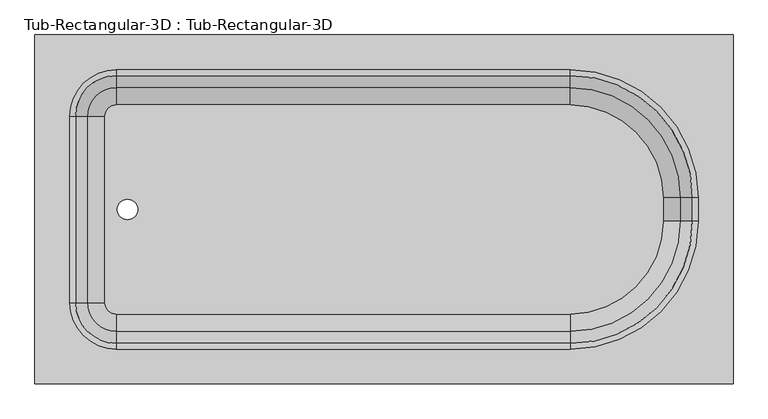
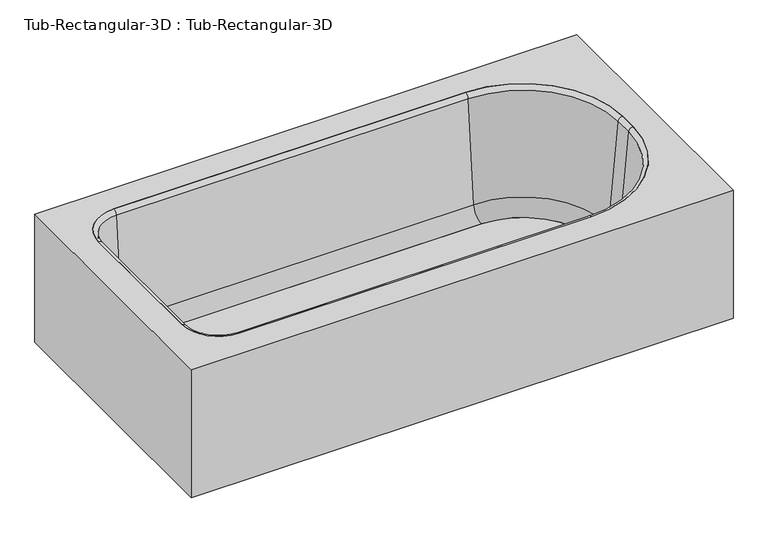
"""IFC4 building model written with IfcOpenShell, lengths in millimetres: flow terminal geometry, Tub-Rectangular-3D : Tub-Rectangular-3D."""

import ifcopenshell
import ifcopenshell.guid

model = None  # the IFC model being written
_history = None  # IfcOwnerHistory: only IFC2X3 demands one
_inside = {}  # id of a spatial element -> (the spatial element, [elements in it])
_under = {}  # id of a project, library or spatial element -> (it, [spatial elements below it])
_declared = {}  # id of a project -> (the project, [libraries it declares])
_typed = {}  # id of a type object -> (the type object, [elements of that type])
_made_of = {}  # id of a material, layer set ... -> (it, [elements and type objects made of it])


def new_model(schema):
    """Start an empty IFC model of exactly this schema.

    Asked for "IFC4X3", IfcOpenShell would pick the latest addendum, in which some entities
    have other attributes; the version numbers below select the first issue.
    IFC2X3 requires an IfcOwnerHistory on every rooted entity: one is made here for all.
    """
    global model, _history
    if schema == "IFC4X3":
        model = ifcopenshell.file(schema_version=(4, 3, 0, 0))
    else:
        model = ifcopenshell.file(schema=schema)
    _inside.clear()
    _under.clear()
    _declared.clear()
    _typed.clear()
    _made_of.clear()
    _history = None
    if model.schema == "IFC2X3":
        org = make("IfcOrganization", Name="unknown")
        user = make(
            "IfcPersonAndOrganization",
            ThePerson=make("IfcPerson", FamilyName="unknown"),
            TheOrganization=org,
        )
        app = make(
            "IfcApplication",
            ApplicationDeveloper=org,
            Version="unknown",
            ApplicationFullName="unknown",
            ApplicationIdentifier="unknown",
        )
        _history = make(
            "IfcOwnerHistory",
            OwningUser=user,
            OwningApplication=app,
            ChangeAction="ADDED",
            CreationDate=0,
        )
    return model


def make(cls, **values):
    """One entity of the class cls with the attributes given. An attribute that is None is left unset."""
    return model.create_entity(
        cls, **{name: value for name, value in values.items() if value is not None}
    )


def rooted(cls, **values):
    """An entity with a GlobalId (a new one), such as an element, a storey or a relation."""
    return make(cls, GlobalId=ifcopenshell.guid.new(), OwnerHistory=_history, **values)


def si_unit(unit_type, name, prefix=None):
    """IfcSIUnit, for example si_unit("LENGTHUNIT", "METRE", prefix="MILLI")."""
    return make("IfcSIUnit", UnitType=unit_type, Prefix=prefix, Name=name)


def assignment(units):
    """IfcUnitAssignment: the units of a project."""
    return None if units is None else make("IfcUnitAssignment", Units=units)


def point(xyz):
    """IfcCartesianPoint."""
    return None if xyz is None else make("IfcCartesianPoint", Coordinates=xyz)


def direction(xyz):
    """IfcDirection."""
    return None if xyz is None else make("IfcDirection", DirectionRatios=xyz)


def frame(location, z_axis=None, x_axis=None):
    """IfcAxis2Placement3D, a coordinate frame: its origin and axes. An axis left out is left unset."""
    return make(
        "IfcAxis2Placement3D",
        Location=point(location),
        Axis=direction(z_axis),
        RefDirection=direction(x_axis),
    )


def frame_2d(location, x_axis=None):
    """IfcAxis2Placement2D, a coordinate frame in the plane: its origin and x axis."""
    return make(
        "IfcAxis2Placement2D", Location=point(location), RefDirection=direction(x_axis)
    )


def origin():
    """The frame at (0, 0, 0) with its axes left unset."""
    return frame((0.0, 0.0, 0.0))


def place(relative_to, where):
    """IfcLocalPlacement: puts the frame where relative to a parent placement (None: the world)."""
    return make(
        "IfcLocalPlacement", PlacementRelTo=relative_to, RelativePlacement=where
    )


def context(
    kind, dimensions, precision=None, world=None, true_north=None, identifier=None
):
    """IfcGeometricRepresentationContext, for example the 3D "Model" context."""
    return make(
        "IfcGeometricRepresentationContext",
        ContextIdentifier=identifier,
        ContextType=kind,
        CoordinateSpaceDimension=dimensions,
        Precision=precision,
        WorldCoordinateSystem=world,
        TrueNorth=true_north,
    )


def project(units=None, contexts=None):
    """IfcProject with its units and contexts."""
    return rooted(
        "IfcProject",
        Name="project",
        RepresentationContexts=contexts,
        UnitsInContext=assignment(units),
    )


def spatial(cls, under=None, at=None, **own):
    """A site, building, storey or space (cls), placed at a placement, below another one or the project."""
    s = rooted(cls, ObjectPlacement=at, **own)
    if under is not None:
        _under.setdefault(under.id(), (under, []))[1].append(s)
    return s


def polyline(points):
    """IfcPolyline through the points."""
    return make("IfcPolyline", Points=[point(p) for p in points])


def circle_curve(where, radius):
    """IfcCircle in the frame where."""
    return make("IfcCircle", Position=where, Radius=radius)


def ellipse_curve(where, semi_axis1, semi_axis2):
    """IfcEllipse in the frame where."""
    return make(
        "IfcEllipse", Position=where, SemiAxis1=semi_axis1, SemiAxis2=semi_axis2
    )


def trimmed(basis, trim1, trim2, sense, master):
    """IfcTrimmedCurve: the piece of a basis curve between two trims."""
    return make(
        "IfcTrimmedCurve",
        BasisCurve=basis,
        Trim1=trim1,
        Trim2=trim2,
        SenseAgreement=sense,
        MasterRepresentation=master,
    )


def segment(curve, same_sense, transition):
    """IfcCompositeCurveSegment."""
    return make(
        "IfcCompositeCurveSegment",
        Transition=transition,
        SameSense=same_sense,
        ParentCurve=curve,
    )


def composite_curve(segments, self_intersect=None):
    """IfcCompositeCurve: segments joined end to end."""
    return make("IfcCompositeCurve", Segments=segments, SelfIntersect=self_intersect)


def outline(outer, holes=None, kind="AREA"):
    """IfcArbitraryClosedProfileDef: a profile drawn as a closed curve; with holes, ...WithVoids."""
    if holes is None:
        return make("IfcArbitraryClosedProfileDef", ProfileType=kind, OuterCurve=outer)
    return make(
        "IfcArbitraryProfileDefWithVoids",
        ProfileType=kind,
        OuterCurve=outer,
        InnerCurves=holes,
    )


def extrude(swept, where, along, depth):
    """IfcExtrudedAreaSolid: the profile swept, set in the frame where, extruded along a direction by depth."""
    return make(
        "IfcExtrudedAreaSolid",
        SweptArea=swept,
        Position=where,
        ExtrudedDirection=direction(along),
        Depth=depth,
    )


def shape(context_of_items, identifier, shape_type, items):
    """IfcShapeRepresentation: the items that make up one representation, for example the "Body"."""
    return make(
        "IfcShapeRepresentation",
        ContextOfItems=context_of_items,
        RepresentationIdentifier=identifier,
        RepresentationType=shape_type,
        Items=items,
    )


def source(mapping_origin, context_of_items, identifier, shape_type, items):
    """IfcRepresentationMap: a shape defined once, which mapped items show again and again."""
    return make(
        "IfcRepresentationMap",
        MappingOrigin=mapping_origin,
        MappedRepresentation=shape(context_of_items, identifier, shape_type, items),
    )


def transform(
    local_origin,
    x_axis=None,
    y_axis=None,
    z_axis=None,
    scale=None,
    scale2=None,
    scale3=None,
    uniform=True,
):
    """IfcCartesianTransformationOperator3D, or its non-uniform kind. x_axis, y_axis, z_axis: its Axis1, 2, 3."""
    if uniform:
        return make(
            "IfcCartesianTransformationOperator3D",
            Axis1=direction(x_axis),
            Axis2=direction(y_axis),
            LocalOrigin=point(local_origin),
            Scale=scale,
            Axis3=direction(z_axis),
        )
    return make(
        "IfcCartesianTransformationOperator3DnonUniform",
        Axis1=direction(x_axis),
        Axis2=direction(y_axis),
        LocalOrigin=point(local_origin),
        Scale=scale,
        Axis3=direction(z_axis),
        Scale2=scale2,
        Scale3=scale3,
    )


def mapped(mapping_source, mapping_target):
    """IfcMappedItem: shows the shape of a source again, moved by a transform."""
    return make(
        "IfcMappedItem", MappingSource=mapping_source, MappingTarget=mapping_target
    )


def made_of(thing, what):
    """Note that an element or type object is made of a material, layer set ...; save() writes the relation."""
    if what is not None:
        _made_of.setdefault(what.id(), (what, []))[1].append(thing)
    return thing


def element(
    cls,
    number,
    at=None,
    inside=None,
    cuts=None,
    type_object=None,
    material=None,
    context=None,
    identifier="Body",
    shape_type=None,
    held_by="IfcProductDefinitionShape",
    body=None,
    shapes=None,
    **own,
):
    """One element of the class cls, such as IfcWall. Its Tag is "e" and its number.

    at: its placement. inside: the storey or other place that contains it. cuts: it is an
    opening in that element (IfcRelVoidsElement). A single representation is given by context,
    identifier, shape_type and body (its items); several are given by shapes. held_by: the class
    of the entity that holds the representations. save() writes the other relations.
    """
    e = rooted(cls, Tag="e%d" % number, ObjectPlacement=at, **own)
    if body is not None:
        shapes = [shape(context, identifier, shape_type, body)]
    if shapes is not None:
        e.Representation = make(held_by, Representations=shapes)
    if inside is not None:
        _inside.setdefault(inside.id(), (inside, []))[1].append(e)
    if cuts is not None:
        rooted(
            "IfcRelVoidsElement", RelatingBuildingElement=cuts, RelatedOpeningElement=e
        )
    if type_object is not None:
        _typed.setdefault(type_object.id(), (type_object, []))[1].append(e)
    return made_of(e, material)


def aggregate(whole, parts):
    """IfcRelAggregates: a whole, such as a stair, and the parts it consists of."""
    return rooted("IfcRelAggregates", RelatingObject=whole, RelatedObjects=parts)


def save(model, path):
    """Write the relations noted so far, then the file.

    IfcRelAggregates (storeys below a building ...), IfcRelContainedInSpatialStructure (elements
    in a storey), IfcRelDefinesByType, IfcRelAssociatesMaterial and IfcRelDeclares: one each for
    every whole, place, type object, material and project.
    """
    for whole, parts in _under.values():
        aggregate(whole, parts)
    for where, things in _inside.values():
        rooted(
            "IfcRelContainedInSpatialStructure",
            RelatedElements=things,
            RelatingStructure=where,
        )
    for kind, things in _typed.values():
        rooted("IfcRelDefinesByType", RelatedObjects=things, RelatingType=kind)
    for what, things in _made_of.values():
        rooted("IfcRelAssociatesMaterial", RelatedObjects=things, RelatingMaterial=what)
    for by, libraries in _declared.values():
        rooted("IfcRelDeclares", RelatingContext=by, RelatedDefinitions=libraries)
    model.write(path)


def plane_surface(at):
    """IfcPlane: the flat surface through the origin of the frame at, square to its z axis."""
    return make("IfcPlane", Position=at)


def cylinder_surface(at, radius):
    """IfcCylindricalSurface: all points at the distance radius from the z axis of the frame at."""
    return make("IfcCylindricalSurface", Position=at, Radius=radius)


def revolved_surface(curve, axis_point, axis_direction):
    """IfcSurfaceOfRevolution: the curve turned about the line through axis_point along axis_direction."""
    return make(
        "IfcSurfaceOfRevolution",
        SweptCurve=make("IfcArbitraryOpenProfileDef", ProfileType="CURVE", Curve=curve),
        AxisPosition=make("IfcAxis1Placement", Location=point(axis_point), Axis=direction(axis_direction)),
    )


def advanced_brep(points, edges, surfaces, faces):
    """IfcAdvancedBrep: a solid bounded by faces that lie on surfaces and meet in shared edges.

    An edge is (start, end): straight between two places in points (the first is 0);
    or (start, end, curve); or (start, end, curve, False) where it runs against its curve.
    A face is (place in surfaces, loops), or (place, loops, False) where it looks against
    its surface's normal. A loop lists edges by number (the first is 1), with a minus sign
    where the edge is run from its end to its start. The first loop is the outer one.
    """
    corners = [point(p) for p in points]
    vertices = [make("IfcVertexPoint", VertexGeometry=c) for c in corners]
    made = []
    for start, end, *more in edges:
        made.append(
            make(
                "IfcEdgeCurve",
                EdgeStart=vertices[start],
                EdgeEnd=vertices[end],
                EdgeGeometry=more[0] if more else make("IfcPolyline", Points=[corners[start], corners[end]]),
                SameSense=more[1] if len(more) > 1 else True,
            )
        )
    hull = []
    for where, loops, *sense in faces:
        bounds = []
        for j, loop in enumerate(loops):
            ring = [make("IfcOrientedEdge", EdgeElement=made[abs(k) - 1], Orientation=k > 0) for k in loop]
            bounds.append(
                make(
                    "IfcFaceOuterBound" if j == 0 else "IfcFaceBound",
                    Bound=make("IfcEdgeLoop", EdgeList=ring),
                    Orientation=True,
                )
            )
        hull.append(make("IfcAdvancedFace", Bounds=bounds, FaceSurface=surfaces[where], SameSense=sense[0] if sense else True))
    return make("IfcAdvancedBrep", Outer=make("IfcClosedShell", CfsFaces=hull))


def tub_rectangular_3d_tub_rectangular_3d_035407dd(model_context):
    return source(origin(), model_context, "Body", "SolidModel", [
        advanced_brep(
        [(413.3970313, 806.45, 381.0), (-1110.6029687, 806.45, 381.0), (-1110.6029687, 44.45, 381.0), (413.3970313, 44.45, 381.0), (-932.8029687, 730.25, 381.0), (57.7970313, 730.25, 381.0), (337.1970313, 450.85, 381.0), (337.1970313, 400.05, 381.0), (57.7970313, 120.65, 381.0), (-932.8029687, 120.65, 381.0), (-1034.4029687, 222.25, 381.0), (-1034.4029687, 628.65, 381.0), (394.3470313, 787.4, 361.95), (394.3470313, 63.5, 361.95), (-1091.5529687, 63.5, 361.95), (-1091.5529687, 787.4, 361.95), (-932.8029687, 730.25, 361.95), (-1034.4029687, 628.65, 361.95), (-1034.4029687, 222.25, 361.95), (-932.8029687, 120.65, 361.95), (57.7970313, 120.65, 361.95), (337.1970313, 400.05, 361.95), (337.1970313, 450.85, 361.95), (57.7970313, 730.25, 361.95), (413.3970313, 806.45, 0.0), (-1110.6029687, 806.45, 0.0), (-1110.6029687, 44.45, 0.0), (413.3970313, 44.45, 0.0), (394.3470313, 787.4, 0.0), (-1091.5529687, 787.4, 0.0), (-1091.5529687, 63.5, 0.0), (394.3470313, 63.5, 0.0)],
        [
            (0, 1),
            (1, 2),
            (2, 3),
            (3, 0),
            (4, 5),
            (5, 6, circle_curve(frame((57.7970313, 450.85, 381.0), z_axis=(0.0, 0.0, -1.0), x_axis=(0.0, 1.0, 0.0)), 279.4)),
            (6, 7),
            (7, 8, circle_curve(frame((57.7970313, 400.05, 381.0), z_axis=(0.0, 0.0, -1.0), x_axis=(0.0, 1.0, 0.0)), 279.4)),
            (8, 9),
            (9, 10, circle_curve(frame((-932.8029687, 222.25, 381.0), z_axis=(0.0, 0.0, -1.0), x_axis=(0.0, 1.0, 0.0)), 101.6)),
            (10, 11),
            (11, 4, circle_curve(frame((-932.8029687, 628.65, 381.0), z_axis=(0.0, 0.0, -1.0), x_axis=(0.0, 1.0, 0.0)), 101.6)),
            (12, 13),
            (13, 14),
            (14, 15),
            (15, 12),
            (16, 17, circle_curve(frame((-932.8029687, 628.65, 361.95), z_axis=(0.0, 0.0, 1.0), x_axis=(0.0, 1.0, 0.0)), 101.6)),
            (17, 18),
            (18, 19, circle_curve(frame((-932.8029687, 222.25, 361.95), z_axis=(0.0, 0.0, 1.0), x_axis=(0.0, 1.0, 0.0)), 101.6)),
            (19, 20),
            (20, 21, circle_curve(frame((57.7970313, 400.05, 361.95), z_axis=(0.0, 0.0, 1.0), x_axis=(0.0, 1.0, 0.0)), 279.4)),
            (21, 22),
            (22, 23, circle_curve(frame((57.7970313, 450.85, 361.95), z_axis=(0.0, 0.0, 1.0), x_axis=(0.0, 1.0, 0.0)), 279.4)),
            (23, 16),
            (0, 24),
            (24, 25),
            (25, 1),
            (25, 26),
            (26, 2),
            (26, 27),
            (27, 3),
            (27, 24),
            (4, 16),
            (23, 5),
            (22, 6),
            (21, 7),
            (20, 8),
            (19, 9),
            (18, 10),
            (17, 11),
            (28, 29),
            (29, 30),
            (30, 31),
            (31, 28),
            (31, 13),
            (12, 28),
            (30, 14),
            (29, 15),
        ],
        [
            plane_surface(frame((-1110.6029687, 806.45, 381.0), z_axis=(0.0, 0.0, 1.0), x_axis=(-1.0, 0.0, 0.0))),
            plane_surface(frame((-1110.6029687, 806.45, 361.95), z_axis=(0.0, 0.0, -1.0), x_axis=(1.0, 0.0, 0.0))),
            plane_surface(frame((413.3970313, 806.45, 381.0), z_axis=(0.0, 1.0, 0.0), x_axis=(0.0, 0.0, -1.0))),
            plane_surface(frame((-1110.6029687, 806.45, 381.0), z_axis=(-1.0, 0.0, 0.0), x_axis=(0.0, 0.0, -1.0))),
            plane_surface(frame((-1110.6029687, 44.45, 381.0), z_axis=(0.0, -1.0, 0.0), x_axis=(0.0, 0.0, -1.0))),
            plane_surface(frame((413.3970313, 44.45, 381.0), z_axis=(1.0, 0.0, 0.0), x_axis=(0.0, 0.0, -1.0))),
            plane_surface(frame((-932.8029687, 730.25, 381.0), z_axis=(0.0, -1.0, 0.0), x_axis=(0.0, 0.0, -1.0))),
            revolved_surface(polyline([(57.7970313, 730.25, 361.95), (57.7970313, 730.25, 381.0)]), (57.7970313, 450.85, 381.0), (0.0, 0.0, -1.0)),
            plane_surface(frame((337.1970313, 450.85, 381.0), z_axis=(-1.0, 0.0, 0.0), x_axis=(0.0, 0.0, -1.0))),
            revolved_surface(polyline([(57.7970313, 679.45, 361.95), (57.7970313, 679.45, 381.0)]), (57.7970313, 400.05, 381.0), (0.0, 0.0, -1.0)),
            plane_surface(frame((57.7970313, 120.65, 381.0), z_axis=(0.0, 1.0, 0.0), x_axis=(0.0, 0.0, -1.0))),
            revolved_surface(polyline([(-932.8029687, 323.85, 361.95), (-932.8029687, 323.85, 381.0)]), (-932.8029687, 222.25, 381.0), (0.0, 0.0, -1.0)),
            plane_surface(frame((-1034.4029687, 222.25, 381.0), z_axis=(1.0, 0.0, 0.0), x_axis=(0.0, 0.0, -1.0))),
            revolved_surface(polyline([(-932.8029687, 730.25, 361.95), (-932.8029687, 730.25, 381.0)]), (-932.8029687, 628.65, 381.0), (0.0, 0.0, -1.0)),
            plane_surface(frame((-1110.6029687, 806.45, 0.0), z_axis=(0.0, 0.0, -1.0), x_axis=(1.0, 0.0, 0.0))),
            plane_surface(frame((394.3470313, 787.4, 361.95), z_axis=(-1.0, 0.0, 0.0), x_axis=(0.0, 0.0, -1.0))),
            plane_surface(frame((394.3470313, 63.5, 361.95), z_axis=(0.0, 1.0, 0.0), x_axis=(0.0, 0.0, -1.0))),
            plane_surface(frame((-1091.5529687, 63.5, 361.95), z_axis=(1.0, 0.0, 0.0), x_axis=(0.0, 0.0, -1.0))),
            plane_surface(frame((-1091.5529687, 787.4, 361.95), z_axis=(0.0, -1.0, 0.0), x_axis=(0.0, 0.0, -1.0))),
        ],
        [
            (0, [[1, 2, 3, 4], [5, 6, 7, 8, 9, 10, 11, 12]]),
            (1, [[13, 14, 15, 16], [17, 18, 19, 20, 21, 22, 23, 24]]),
            (2, [[-1, 25, 26, 27]]),
            (3, [[-2, -27, 28, 29]]),
            (4, [[-3, -29, 30, 31]]),
            (5, [[-25, -4, -31, 32]]),
            (6, [[-5, 33, -24, 34]]),
            (7, [[-6, -34, -23, 35]]),
            (8, [[-7, -35, -22, 36]]),
            (9, [[-8, -36, -21, 37]]),
            (10, [[-9, -37, -20, 38]]),
            (11, [[-10, -38, -19, 39]]),
            (12, [[-11, -39, -18, 40]]),
            (13, [[-12, -40, -17, -33]]),
            (14, [[-32, -30, -28, -26], [41, 42, 43, 44]]),
            (15, [[-44, 45, -13, 46]]),
            (16, [[-43, 47, -14, -45]]),
            (17, [[-42, 48, -15, -47]]),
            (18, [[-41, -46, -16, -48]]),
        ],
    ),
        extrude(outline(composite_curve([segment(trimmed(circle_curve(frame_2d((57.7970313, 450.85)), 202.7964741), [point((57.7970313, 653.6464741))], [point((260.5935054, 450.85))], False, "CARTESIAN"), True, "CONTINUOUS"), segment(polyline([(260.5935054, 450.85), (260.5935054, 400.05)]), True, "CONTINUOUS"), segment(trimmed(circle_curve(frame_2d((57.7970313, 400.05)), 202.7964741), [point((260.5935054, 400.05))], [point((57.7970313, 197.2535259))], False, "CARTESIAN"), True, "CONTINUOUS"), segment(polyline([(57.7970313, 197.2535259), (-932.8029687, 197.2535259)]), True, "CONTINUOUS"), segment(trimmed(circle_curve(frame_2d((-932.8029687, 222.25)), 24.9964741), [point((-932.8029687, 197.2535259))], [point((-957.7994428, 222.25))], False, "CARTESIAN"), True, "CONTINUOUS"), segment(polyline([(-957.7994428, 222.25), (-957.7994428, 628.65)]), True, "CONTINUOUS"), segment(trimmed(circle_curve(frame_2d((-932.8029687, 628.65)), 24.9964741), [point((-957.7994428, 628.65))], [point((-932.8029687, 653.6464741))], False, "CARTESIAN"), True, "CONTINUOUS"), segment(polyline([(-932.8029687, 653.6464741), (57.7970313, 653.6464741)]), True, "CONTINUOUS")], self_intersect=False), holes=[composite_curve([segment(trimmed(circle_curve(frame_2d((-908.510206, 425.45)), 22.225), [point((-908.510206, 447.675))], [point((-908.510206, 403.225))], True, "CARTESIAN"), True, "CONTINUOUS"), segment(trimmed(circle_curve(frame_2d((-908.510206, 425.45)), 22.225), [point((-908.510206, 403.225))], [point((-908.510206, 447.675))], True, "CARTESIAN"), True, "CONTINUOUS")], self_intersect=False)]), frame((0.0, 0.0, 16.863573), z_axis=(0.0, 0.0, 1.0), x_axis=(1.0, 0.0, 0.0)), (0.0, 0.0, 1.0), 19.05),
        advanced_brep(
        [(-995.7544608, 628.65, 70.6929392), (-932.8029687, 691.6014921, 70.6929392), (-932.8029687, 717.7720035, 369.8232535), (-1021.9249722, 628.65, 369.8232535), (-957.7994428, 628.65, 35.913573), (-932.8029687, 653.6464741, 35.913573), (-957.7994428, 628.65, 16.863573), (-932.8029687, 653.6464741, 16.863573), (-1034.4029687, 628.65, 16.863573), (-932.8029687, 730.25, 16.863573), (-1034.4029687, 628.65, 381.0), (-932.8029687, 730.25, 381.0), (-1021.9249722, 222.25, 369.8232535), (-995.7544608, 222.25, 70.6929392), (-957.7994428, 222.25, 35.913573), (-957.7994428, 222.25, 16.863573), (-1034.4029687, 222.25, 16.863573), (-1034.4029687, 222.25, 381.0), (-932.8029687, 159.2985079, 70.6929392), (-932.8029687, 133.1279965, 369.8232535), (-932.8029687, 197.2535259, 35.913573), (-932.8029687, 197.2535259, 16.863573), (-932.8029687, 120.65, 16.863573), (-932.8029687, 120.65, 381.0), (57.7970313, 133.1279965, 369.8232535), (57.7970313, 159.2985079, 70.6929392), (57.7970313, 197.2535259, 35.913573), (57.7970313, 197.2535259, 16.863573), (57.7970313, 120.65, 16.863573), (57.7970313, 120.65, 381.0), (298.5485234, 400.05, 70.6929392), (324.7190348, 400.05, 369.8232535), (260.5935054, 400.05, 35.913573), (260.5935054, 400.05, 16.863573), (337.1970313, 400.05, 16.863573), (337.1970313, 400.05, 381.0), (324.7190348, 450.85, 369.8232535), (298.5485234, 450.85, 70.6929392), (260.5935054, 450.85, 35.913573), (260.5935054, 450.85, 16.863573), (337.1970313, 450.85, 16.863573), (337.1970313, 450.85, 381.0), (57.7970313, 691.6014921, 70.6929392), (57.7970313, 717.7720035, 369.8232535), (57.7970313, 653.6464741, 35.913573), (57.7970313, 653.6464741, 16.863573), (57.7970313, 730.25, 16.863573), (57.7970313, 730.25, 381.0)],
        [
            (0, 1, circle_curve(frame((-932.8029687, 628.65, 70.6929392), z_axis=(0.0, 0.0, -1.0), x_axis=(0.0, 1.0, 0.0)), 62.9514921)),
            (1, 2),
            (2, 3, circle_curve(frame((-932.8029687, 628.65, 369.8232535), z_axis=(0.0, 0.0, 1.0), x_axis=(0.0, 1.0, 0.0)), 89.1220035)),
            (3, 0),
            (4, 5, circle_curve(frame((-932.8029687, 628.65, 35.913573), z_axis=(0.0, 0.0, -1.0), x_axis=(0.0, 1.0, 0.0)), 24.9964741)),
            (5, 1, circle_curve(frame((-932.8029687, 653.6464741, 74.013573), z_axis=(1.0, 0.0, 0.0), x_axis=(0.0, -1.0, 0.0)), 38.1)),
            (0, 4, circle_curve(frame((-957.7994428, 628.65, 74.013573), z_axis=(0.0, -1.0, 0.0), x_axis=(1.0, 0.0, 0.0)), 38.1)),
            (6, 7, circle_curve(frame((-932.8029687, 628.65, 16.863573), z_axis=(0.0, 0.0, -1.0), x_axis=(0.0, 1.0, 0.0)), 24.9964741)),
            (7, 5),
            (4, 6),
            (8, 9, circle_curve(frame((-932.8029687, 628.65, 16.863573), z_axis=(0.0, 0.0, -1.0), x_axis=(0.0, 1.0, 0.0)), 101.6)),
            (9, 7),
            (6, 8),
            (10, 11, circle_curve(frame((-932.8029687, 628.65, 381.0), z_axis=(0.0, 0.0, -1.0), x_axis=(0.0, 1.0, 0.0)), 101.6)),
            (11, 9),
            (8, 10),
            (2, 11, circle_curve(frame((-932.8029687, 730.25, 368.4462547), z_axis=(-1.0, 0.0, 0.0), x_axis=(0.0, -1.0, 0.0)), 12.5537453)),
            (10, 3, circle_curve(frame((-1034.4029687, 628.65, 368.4462547), z_axis=(0.0, 1.0, 0.0), x_axis=(1.0, 0.0, 0.0)), 12.5537453)),
            (3, 12),
            (12, 13),
            (13, 0),
            (13, 14, circle_curve(frame((-957.7994428, 222.25, 74.013573), z_axis=(0.0, -1.0, 0.0), x_axis=(1.0, 0.0, 0.0)), 38.1)),
            (14, 4),
            (14, 15),
            (15, 6),
            (15, 16),
            (16, 8),
            (16, 17),
            (17, 10),
            (17, 12, circle_curve(frame((-1034.4029687, 222.25, 368.4462547), z_axis=(0.0, 1.0, 0.0), x_axis=(1.0, 0.0, 0.0)), 12.5537453)),
            (18, 13, circle_curve(frame((-932.8029687, 222.25, 70.6929392), z_axis=(0.0, 0.0, -1.0), x_axis=(-1.0, 0.0, 0.0)), 62.9514921)),
            (12, 19, circle_curve(frame((-932.8029687, 222.25, 369.8232535), z_axis=(0.0, 0.0, 1.0), x_axis=(-1.0, 0.0, 0.0)), 89.1220035)),
            (19, 18),
            (20, 14, circle_curve(frame((-932.8029687, 222.25, 35.913573), z_axis=(0.0, 0.0, -1.0), x_axis=(-1.0, 0.0, 0.0)), 24.9964741)),
            (18, 20, circle_curve(frame((-932.8029687, 197.2535259, 74.013573), z_axis=(1.0, 0.0, 0.0), x_axis=(0.0, 1.0, 0.0)), 38.1)),
            (21, 15, circle_curve(frame((-932.8029687, 222.25, 16.863573), z_axis=(0.0, 0.0, -1.0), x_axis=(-1.0, 0.0, 0.0)), 24.9964741)),
            (20, 21),
            (22, 16, circle_curve(frame((-932.8029687, 222.25, 16.863573), z_axis=(0.0, 0.0, -1.0), x_axis=(-1.0, 0.0, 0.0)), 101.6)),
            (21, 22),
            (23, 17, circle_curve(frame((-932.8029687, 222.25, 381.0), z_axis=(0.0, 0.0, -1.0), x_axis=(-1.0, 0.0, 0.0)), 101.6)),
            (22, 23),
            (23, 19, circle_curve(frame((-932.8029687, 120.65, 368.4462547), z_axis=(-1.0, 0.0, 0.0), x_axis=(0.0, 1.0, 0.0)), 12.5537453)),
            (19, 24),
            (24, 25),
            (25, 18),
            (25, 26, circle_curve(frame((57.7970313, 197.2535259, 74.013573), z_axis=(1.0, 0.0, 0.0), x_axis=(0.0, 1.0, 0.0)), 38.1)),
            (26, 20),
            (26, 27),
            (27, 21),
            (27, 28),
            (28, 22),
            (28, 29),
            (29, 23),
            (29, 24, circle_curve(frame((57.7970313, 120.65, 368.4462547), z_axis=(-1.0, 0.0, 0.0), x_axis=(0.0, 1.0, 0.0)), 12.5537453)),
            (30, 25, circle_curve(frame((57.7970313, 400.05, 70.6929392), z_axis=(0.0, 0.0, -1.0), x_axis=(0.0, -1.0, 0.0)), 240.7514921)),
            (24, 31, circle_curve(frame((57.7970313, 400.05, 369.8232535), z_axis=(0.0, 0.0, 1.0), x_axis=(0.0, -1.0, 0.0)), 266.9220035)),
            (31, 30),
            (32, 26, circle_curve(frame((57.7970313, 400.05, 35.913573), z_axis=(0.0, 0.0, -1.0), x_axis=(0.0, -1.0, 0.0)), 202.7964741)),
            (30, 32, circle_curve(frame((260.5935054, 400.05, 74.013573), z_axis=(0.0, 1.0, 0.0), x_axis=(-1.0, 0.0, 0.0)), 38.1)),
            (33, 27, circle_curve(frame((57.7970313, 400.05, 16.863573), z_axis=(0.0, 0.0, -1.0), x_axis=(0.0, -1.0, 0.0)), 202.7964741)),
            (32, 33),
            (34, 28, circle_curve(frame((57.7970313, 400.05, 16.863573), z_axis=(0.0, 0.0, -1.0), x_axis=(0.0, -1.0, 0.0)), 279.4)),
            (33, 34),
            (35, 29, circle_curve(frame((57.7970313, 400.05, 381.0), z_axis=(0.0, 0.0, -1.0), x_axis=(0.0, -1.0, 0.0)), 279.4)),
            (34, 35),
            (35, 31, circle_curve(frame((337.1970313, 400.05, 368.4462547), z_axis=(0.0, -1.0, 0.0), x_axis=(-1.0, 0.0, 0.0)), 12.5537453)),
            (31, 36),
            (36, 37),
            (37, 30),
            (37, 38, circle_curve(frame((260.5935054, 450.85, 74.013573), z_axis=(0.0, 1.0, 0.0), x_axis=(-1.0, 0.0, 0.0)), 38.1)),
            (38, 32),
            (38, 39),
            (39, 33),
            (39, 40),
            (40, 34),
            (40, 41),
            (41, 35),
            (41, 36, circle_curve(frame((337.1970313, 450.85, 368.4462547), z_axis=(0.0, -1.0, 0.0), x_axis=(-1.0, 0.0, 0.0)), 12.5537453)),
            (42, 37, circle_curve(frame((57.7970313, 450.85, 70.6929392), z_axis=(0.0, 0.0, -1.0), x_axis=(1.0, 0.0, 0.0)), 240.7514921)),
            (36, 43, circle_curve(frame((57.7970313, 450.85, 369.8232535), z_axis=(0.0, 0.0, 1.0), x_axis=(1.0, 0.0, 0.0)), 266.9220035)),
            (43, 42),
            (44, 38, circle_curve(frame((57.7970313, 450.85, 35.913573), z_axis=(0.0, 0.0, -1.0), x_axis=(1.0, 0.0, 0.0)), 202.7964741)),
            (42, 44, circle_curve(frame((57.7970313, 653.6464741, 74.013573), z_axis=(-1.0, 0.0, 0.0), x_axis=(0.0, -1.0, 0.0)), 38.1)),
            (45, 39, circle_curve(frame((57.7970313, 450.85, 16.863573), z_axis=(0.0, 0.0, -1.0), x_axis=(1.0, 0.0, 0.0)), 202.7964741)),
            (44, 45),
            (46, 40, circle_curve(frame((57.7970313, 450.85, 16.863573), z_axis=(0.0, 0.0, -1.0), x_axis=(1.0, 0.0, 0.0)), 279.4)),
            (45, 46),
            (47, 41, circle_curve(frame((57.7970313, 450.85, 381.0), z_axis=(0.0, 0.0, -1.0), x_axis=(1.0, 0.0, 0.0)), 279.4)),
            (46, 47),
            (47, 43, circle_curve(frame((57.7970313, 730.25, 368.4462547), z_axis=(1.0, 0.0, 0.0), x_axis=(0.0, -1.0, 0.0)), 12.5537453)),
            (43, 2),
            (1, 42),
            (5, 44),
            (7, 45),
            (9, 46),
            (11, 47),
        ],
        [
            revolved_surface(polyline([(-932.8029687, 717.7720035, 369.8232535), (-932.8029687, 691.6014921, 70.6929392)]), (-932.8029687, 628.65, 381.0), (0.0, 0.0, 1.0)),
            revolved_surface(trimmed(ellipse_curve(frame((-932.8029687, 653.6464741, 74.013573), z_axis=(-1.0, 0.0, 0.0), x_axis=(0.0, -1.0, 0.0)), 38.1, 38.1), [point((-932.8029687, 691.6014921, 70.6929392))], [point((-932.8029687, 653.6464741, 35.913573))], True, "CARTESIAN"), (-932.8029687, 628.65, 381.0), (0.0, 0.0, 1.0)),
            revolved_surface(polyline([(-932.8029687, 653.6464741, 35.913572999999985), (-932.8029687, 653.6464741, 16.863572999999974)]), (-932.8029687, 628.65, 381.0), (0.0, 0.0, 1.0)),
            plane_surface(frame((-932.8029687, 628.65, 16.863573), z_axis=(0.0, 0.0, -1.0), x_axis=(0.0, 1.0, 0.0))),
            cylinder_surface(frame((-932.8029687, 628.65, 381.0), z_axis=(0.0, 0.0, 1.0), x_axis=(0.0, 1.0, 0.0)), 101.6),
            revolved_surface(trimmed(ellipse_curve(frame((-932.8029687, 730.25, 368.4462547), z_axis=(1.0, 0.0, 0.0), x_axis=(0.0, -1.0, 0.0)), 12.5537453, 12.5537453), [point((-932.8029687, 730.25, 381.0))], [point((-932.8029687, 717.7720035, 369.8232535))], True, "CARTESIAN"), (-932.8029687, 628.65, 381.0), (0.0, 0.0, 1.0)),
            plane_surface(frame((-1021.9249722, 628.65, 369.8232535), z_axis=(0.9961946980917458, 0.0, 0.08715574274765589), x_axis=(0.0, -1.0, 0.0))),
            revolved_surface(polyline([(-919.6994427999999, 222.25, 74.013573), (-919.6994427999999, 628.65, 74.013573)]), (-957.7994428, 628.65, 74.013573), (0.0, -1.0, 0.0)),
            plane_surface(frame((-957.7994428, 628.65, 35.913573), z_axis=(1.0, 0.0, 0.0), x_axis=(0.0, -1.0, 0.0))),
            plane_surface(frame((-957.7994428, 628.65, 16.863573), z_axis=(0.0, 0.0, -1.0), x_axis=(0.0, -1.0, 0.0))),
            plane_surface(frame((-1034.4029687, 628.65, 16.863573), z_axis=(-1.0, 0.0, 0.0), x_axis=(0.0, -1.0, 0.0))),
            cylinder_surface(frame((-1034.4029687, 628.65, 368.4462547), z_axis=(0.0, 1.0, 0.0), x_axis=(1.0, 0.0, 0.0)), 12.5537453),
            revolved_surface(polyline([(-1021.9249722, 222.25, 369.8232535), (-995.7544608, 222.25, 70.6929392)]), (-932.8029687, 222.25, 381.0), (0.0, 0.0, 1.0)),
            revolved_surface(trimmed(ellipse_curve(frame((-957.7994428, 222.25, 74.013573), z_axis=(0.0, -1.0, 0.0), x_axis=(1.0, 0.0, 0.0)), 38.1, 38.1), [point((-995.7544608, 222.25, 70.6929392))], [point((-957.7994428, 222.25, 35.913573))], True, "CARTESIAN"), (-932.8029687, 222.25, 381.0), (0.0, 0.0, 1.0)),
            revolved_surface(polyline([(-957.7994428, 222.25, 35.913572999999985), (-957.7994428, 222.25, 16.863572999999974)]), (-932.8029687, 222.25, 381.0), (0.0, 0.0, 1.0)),
            plane_surface(frame((-932.8029687, 222.25, 16.863573), z_axis=(0.0, 0.0, -1.0), x_axis=(-1.0, 0.0, 0.0))),
            cylinder_surface(frame((-932.8029687, 222.25, 381.0), z_axis=(0.0, 0.0, 1.0), x_axis=(-1.0, 0.0, 0.0)), 101.6),
            revolved_surface(trimmed(ellipse_curve(frame((-1034.4029687, 222.25, 368.4462547), z_axis=(0.0, 1.0, 0.0), x_axis=(1.0, 0.0, 0.0)), 12.5537453, 12.5537453), [point((-1034.4029687, 222.25, 381.0))], [point((-1021.9249722, 222.25, 369.8232535))], True, "CARTESIAN"), (-932.8029687, 222.25, 381.0), (0.0, 0.0, 1.0)),
            plane_surface(frame((-932.8029687, 133.1279965, 369.8232535), z_axis=(0.0, 0.9961946980917461, 0.08715574274765266), x_axis=(1.0, 0.0, 0.0))),
            revolved_surface(polyline([(57.79703129999996, 235.3535259, 74.013573), (-932.8029687, 235.3535259, 74.013573)]), (-932.8029687, 197.2535259, 74.013573), (1.0, 0.0, 0.0)),
            plane_surface(frame((-932.8029687, 197.2535259, 35.913573), z_axis=(0.0, 1.0, 0.0), x_axis=(1.0, 0.0, 0.0))),
            plane_surface(frame((-932.8029687, 197.2535259, 16.863573), z_axis=(0.0, 0.0, -1.0), x_axis=(1.0, 0.0, 0.0))),
            plane_surface(frame((-932.8029687, 120.65, 16.863573), z_axis=(0.0, -1.0, 0.0), x_axis=(1.0, 0.0, 0.0))),
            cylinder_surface(frame((-932.8029687, 120.65, 368.4462547), z_axis=(-1.0, 0.0, 0.0), x_axis=(0.0, 1.0, 0.0)), 12.5537453),
            revolved_surface(polyline([(57.7970313, 133.1279965, 369.8232535), (57.7970313, 159.2985079, 70.6929392)]), (57.7970313, 400.05, 381.0), (0.0, 0.0, 1.0)),
            revolved_surface(trimmed(ellipse_curve(frame((57.7970313, 197.2535259, 74.013573), z_axis=(1.0, 0.0, 0.0), x_axis=(0.0, 1.0, 0.0)), 38.1, 38.1), [point((57.7970313, 159.2985079, 70.6929392))], [point((57.7970313, 197.2535259, 35.913573))], True, "CARTESIAN"), (57.7970313, 400.05, 381.0), (0.0, 0.0, 1.0)),
            revolved_surface(polyline([(57.7970313, 197.2535259, 35.913572999999985), (57.7970313, 197.2535259, 16.863572999999974)]), (57.7970313, 400.05, 381.0), (0.0, 0.0, 1.0)),
            plane_surface(frame((57.7970313, 400.05, 16.863573), z_axis=(0.0, 0.0, -1.0), x_axis=(0.0, -1.0, 0.0))),
            cylinder_surface(frame((57.7970313, 400.05, 381.0), z_axis=(0.0, 0.0, 1.0), x_axis=(0.0, -1.0, 0.0)), 279.4),
            revolved_surface(trimmed(ellipse_curve(frame((57.7970313, 120.65, 368.4462547), z_axis=(-1.0, 0.0, 0.0), x_axis=(0.0, 1.0, 0.0)), 12.5537453, 12.5537453), [point((57.7970313, 120.65, 381.0))], [point((57.7970313, 133.1279965, 369.8232535))], True, "CARTESIAN"), (57.7970313, 400.05, 381.0), (0.0, 0.0, 1.0)),
            plane_surface(frame((324.7190348, 400.05, 369.8232535), z_axis=(-0.9961946980917464, 0.0, 0.08715574274764942), x_axis=(0.0, 1.0, 0.0))),
            revolved_surface(polyline([(222.49350540000003, 450.85, 74.013573), (222.49350540000003, 400.05, 74.013573)]), (260.5935054, 400.05, 74.013573), (0.0, 1.0, 0.0)),
            plane_surface(frame((260.5935054, 400.05, 35.913573), z_axis=(-1.0, 0.0, 0.0), x_axis=(0.0, 1.0, 0.0))),
            plane_surface(frame((260.5935054, 400.05, 16.863573), z_axis=(0.0, 0.0, -1.0), x_axis=(0.0, 1.0, 0.0))),
            plane_surface(frame((337.1970313, 400.05, 16.863573), z_axis=(1.0, 0.0, 0.0), x_axis=(0.0, 1.0, 0.0))),
            cylinder_surface(frame((337.1970313, 400.05, 368.4462547), z_axis=(0.0, -1.0, 0.0), x_axis=(-1.0, 0.0, 0.0)), 12.5537453),
            revolved_surface(polyline([(324.7190348, 450.85, 369.8232535), (298.5485234, 450.85, 70.6929392)]), (57.7970313, 450.85, 381.0), (0.0, 0.0, 1.0)),
            revolved_surface(trimmed(ellipse_curve(frame((260.5935054, 450.85, 74.013573), z_axis=(0.0, 1.0, 0.0), x_axis=(-1.0, 0.0, 0.0)), 38.1, 38.1), [point((298.5485234, 450.85, 70.6929392))], [point((260.5935054, 450.85, 35.913573))], True, "CARTESIAN"), (57.7970313, 450.85, 381.0), (0.0, 0.0, 1.0)),
            revolved_surface(polyline([(260.5935054, 450.85, 35.913572999999985), (260.5935054, 450.85, 16.863572999999974)]), (57.7970313, 450.85, 381.0), (0.0, 0.0, 1.0)),
            plane_surface(frame((57.7970313, 450.85, 16.863573), z_axis=(0.0, 0.0, -1.0), x_axis=(1.0, 0.0, 0.0))),
            cylinder_surface(frame((57.7970313, 450.85, 381.0), z_axis=(0.0, 0.0, 1.0), x_axis=(1.0, 0.0, 0.0)), 279.4),
            revolved_surface(trimmed(ellipse_curve(frame((337.1970313, 450.85, 368.4462547), z_axis=(0.0, -1.0, 0.0), x_axis=(-1.0, 0.0, 0.0)), 12.5537453, 12.5537453), [point((337.1970313, 450.85, 381.0))], [point((324.7190348, 450.85, 369.8232535))], True, "CARTESIAN"), (57.7970313, 450.85, 381.0), (0.0, 0.0, 1.0)),
            plane_surface(frame((57.7970313, 717.7720035, 369.8232535), z_axis=(0.0, -0.9961946980917461, 0.08715574274765266), x_axis=(-1.0, 0.0, 0.0))),
            revolved_surface(polyline([(-932.8029687, 615.5464741, 74.013573), (57.7970313, 615.5464741, 74.013573)]), (57.7970313, 653.6464741, 74.013573), (-1.0, 0.0, 0.0)),
            plane_surface(frame((57.7970313, 653.6464741, 35.913573), z_axis=(0.0, -1.0, 0.0), x_axis=(-1.0, 0.0, 0.0))),
            plane_surface(frame((57.7970313, 653.6464741, 16.863573), z_axis=(0.0, 0.0, -1.0), x_axis=(-1.0, 0.0, 0.0))),
            plane_surface(frame((57.7970313, 730.25, 16.863573), z_axis=(0.0, 1.0, 0.0), x_axis=(-1.0, 0.0, 0.0))),
            cylinder_surface(frame((57.7970313, 730.25, 368.4462547), z_axis=(1.0, 0.0, 0.0), x_axis=(0.0, -1.0, 0.0)), 12.5537453),
        ],
        [
            (0, [[1, 2, 3, 4]]),
            (1, [[5, 6, -1, 7]]),
            (2, [[8, 9, -5, 10]]),
            (3, [[11, 12, -8, 13]]),
            (4, [[14, 15, -11, 16]]),
            (5, [[-3, 17, -14, 18]]),
            (6, [[-4, 19, 20, 21]]),
            (7, [[-7, -21, 22, 23]]),
            (8, [[-10, -23, 24, 25]]),
            (9, [[-13, -25, 26, 27]]),
            (10, [[-16, -27, 28, 29]]),
            (11, [[-18, -29, 30, -19]]),
            (12, [[31, -20, 32, 33]]),
            (13, [[34, -22, -31, 35]]),
            (14, [[36, -24, -34, 37]]),
            (15, [[38, -26, -36, 39]]),
            (16, [[40, -28, -38, 41]]),
            (17, [[-32, -30, -40, 42]]),
            (18, [[-33, 43, 44, 45]]),
            (19, [[-35, -45, 46, 47]]),
            (20, [[-37, -47, 48, 49]]),
            (21, [[-39, -49, 50, 51]]),
            (22, [[-41, -51, 52, 53]]),
            (23, [[-42, -53, 54, -43]]),
            (24, [[55, -44, 56, 57]]),
            (25, [[58, -46, -55, 59]]),
            (26, [[60, -48, -58, 61]]),
            (27, [[62, -50, -60, 63]]),
            (28, [[64, -52, -62, 65]]),
            (29, [[-56, -54, -64, 66]]),
            (30, [[-57, 67, 68, 69]]),
            (31, [[-59, -69, 70, 71]]),
            (32, [[-61, -71, 72, 73]]),
            (33, [[-63, -73, 74, 75]]),
            (34, [[-65, -75, 76, 77]]),
            (35, [[-66, -77, 78, -67]]),
            (36, [[79, -68, 80, 81]]),
            (37, [[82, -70, -79, 83]]),
            (38, [[84, -72, -82, 85]]),
            (39, [[86, -74, -84, 87]]),
            (40, [[88, -76, -86, 89]]),
            (41, [[-80, -78, -88, 90]]),
            (42, [[-81, 91, -2, 92]]),
            (43, [[-83, -92, -6, 93]]),
            (44, [[-85, -93, -9, 94]]),
            (45, [[-87, -94, -12, 95]]),
            (46, [[-89, -95, -15, 96]]),
            (47, [[-90, -96, -17, -91]]),
        ],
    ),
    ])


if __name__ == "__main__":
    model = new_model("IFC4")
    model_context = context("Model", 3, world=origin())
    ifc_project = project(units=[si_unit("LENGTHUNIT", "METRE", prefix="MILLI")], contexts=[model_context])
    site = spatial("IfcSite", under=ifc_project)
    building = spatial("IfcBuilding", under=site)
    placement = place(None, origin())
    tub_rectangular_3d_tub_rectangular_3d_shape = tub_rectangular_3d_tub_rectangular_3d_035407dd(model_context)
    element("IfcFlowTerminal", 1, ObjectType="Tub-Rectangular-3D : Tub-Rectangular-3D", at=placement, inside=building, context=model_context, shape_type="MappedRepresentation", body=[
        mapped(tub_rectangular_3d_tub_rectangular_3d_shape, transform((0.0, 0.0, 0.0), x_axis=(1.0, 0.0, 0.0), y_axis=(0.0, 1.0, 0.0), z_axis=(0.0, 0.0, 1.0))),
    ])
    save(model, "model.ifc")
